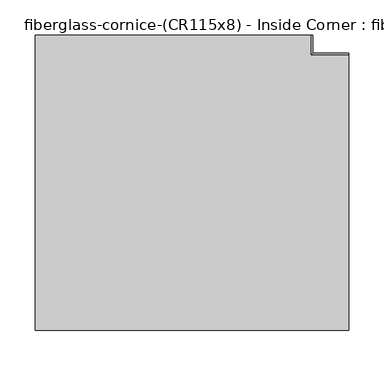
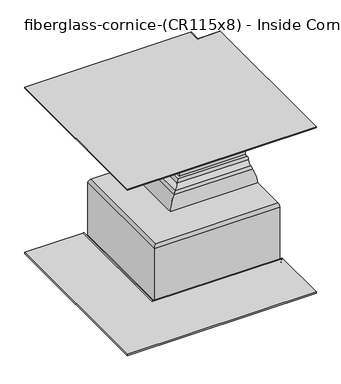
"""IFC4 building model written with IfcOpenShell, lengths in millimetres: furniture geometry, fiberglass-cornice-(CR115x8) - Inside Corner : fiberglass-cornice-(CR115x8) - Inside Corner."""

from ifc_helpers import new_model, si_unit, frame, origin, place, context, project, spatial, polyline, circle_curve, ellipse_curve, source, transform, mapped, element, save
from ifc_brep_helpers import plane_surface, cylinder_surface, revolved_surface, advanced_brep


def fiberglass_cornice_cr115x8_inside_corner_fiberglass_cornice_b0f1e72b(model_context):
    return source(origin(), model_context, "Body", "AdvancedBrep", [
        advanced_brep(
        [(235.0442108, 254.0000168, 133.3535912), (235.0442108, 254.0000168, 34.9351726), (235.0442108, 327.0743395, 34.9351726), (235.0442108, 330.2314169, 38.09225), (235.0442108, 330.2314169, 136.5250208), (235.0442108, 257.1750149, 136.5250208), (158.8128108, 254.0000168, 133.3535912), (158.8128108, 257.1750148, 136.5250039), (158.8128108, 330.2314169, 136.5250208), (158.8128108, 330.2314169, 38.09225), (158.8128108, 327.0743395, 34.9351726), (158.8128108, 254.0000168, 34.9351726)],
        [
            (0, 1),
            (1, 2),
            (2, 3, circle_curve(frame((235.0442108, 327.0743395, 38.09225), z_axis=(1.0, 0.0, 0.0), x_axis=(0.0, 1.0, 0.0)), 3.1570774)),
            (3, 4),
            (4, 5),
            (5, 0, circle_curve(frame((235.0442108, 257.1750148, 133.3500039), z_axis=(1.0, 0.0, 0.0), x_axis=(0.0, 1.0, 0.0)), 3.175)),
            (6, 7, circle_curve(frame((158.8128108, 257.1750148, 133.3500039), z_axis=(-1.0, 0.0, 0.0), x_axis=(0.0, 1.0, 0.0)), 3.175)),
            (7, 8),
            (8, 9),
            (9, 10, circle_curve(frame((158.8128108, 327.0743395, 38.09225), z_axis=(-1.0, 0.0, 0.0), x_axis=(0.0, 1.0, 0.0)), 3.1570774)),
            (10, 11),
            (11, 6),
            (5, 7),
            (6, 0),
            (4, 8),
            (3, 9),
            (2, 10),
            (1, 11),
        ],
        [
            plane_surface(frame((235.0442108, 260.3500148, 133.3500039), z_axis=(1.0, 0.0, 0.0), x_axis=(0.0, 0.0, -1.0))),
            plane_surface(frame((158.8128108, 260.3500148, 133.3500039), z_axis=(-1.0, 0.0, 0.0), x_axis=(0.0, 0.0, 1.0))),
            cylinder_surface(frame((158.8128108, 257.1750148, 133.3500039), z_axis=(1.0, 0.0, 0.0), x_axis=(0.0, 1.0, 0.0)), 3.175),
            plane_surface(frame((235.0442108, 257.1750149, 136.5250208), z_axis=(0.0, 0.0, 1.0), x_axis=(-1.0, 0.0, 0.0))),
            plane_surface(frame((235.0442108, 330.2314169, 136.5250208), z_axis=(0.0, 1.0, 0.0), x_axis=(-1.0, 0.0, 0.0))),
            cylinder_surface(frame((158.8128108, 327.0743395, 38.09225), z_axis=(1.0, 0.0, 0.0), x_axis=(0.0, 1.0, 0.0)), 3.1570774),
            plane_surface(frame((235.0442108, 327.0743395, 34.9351726), z_axis=(0.0, 0.0, -1.0), x_axis=(-1.0, 0.0, 0.0))),
            plane_surface(frame((235.0442108, 254.0000168, 34.9351726), z_axis=(0.0, -1.0, 0.0), x_axis=(-1.0, 0.0, 0.0))),
        ],
        [
            (0, [[1, 2, 3, 4, 5, 6]]),
            (1, [[7, 8, 9, 10, 11, 12]]),
            (2, [[13, -7, 14, -6]]),
            (3, [[15, -8, -13, -5]]),
            (4, [[16, -9, -15, -4]]),
            (5, [[17, -10, -16, -3]]),
            (6, [[18, -11, -17, -2]]),
            (7, [[-14, -12, -18, -1]]),
        ],
    ),
        advanced_brep(
        [(133.4128108, 254.0000168, 133.3535912), (133.4128108, 254.0000168, 34.9351726), (133.4128108, 327.0743395, 34.9351726), (133.4128108, 330.2314169, 38.09225), (133.4128108, 330.2314169, 136.5250208), (133.4128108, 257.1750149, 136.5250208), (57.1814107, 254.0000168, 133.3535912), (57.1814107, 257.1750148, 136.5250039), (57.1814107, 330.2314169, 136.5250208), (57.1814107, 330.2314169, 38.09225), (57.1814107, 327.0743395, 34.9351726), (57.1814107, 254.0000168, 34.9351726)],
        [
            (0, 1),
            (1, 2),
            (2, 3, circle_curve(frame((133.4128108, 327.0743395, 38.09225), z_axis=(1.0, 0.0, 0.0), x_axis=(0.0, 1.0, 0.0)), 3.1570774)),
            (3, 4),
            (4, 5),
            (5, 0, circle_curve(frame((133.4128108, 257.1750148, 133.3500039), z_axis=(1.0, 0.0, 0.0), x_axis=(0.0, 1.0, 0.0)), 3.175)),
            (6, 7, circle_curve(frame((57.1814107, 257.1750148, 133.3500039), z_axis=(-1.0, 0.0, 0.0), x_axis=(0.0, 1.0, 0.0)), 3.175)),
            (7, 8),
            (8, 9),
            (9, 10, circle_curve(frame((57.1814107, 327.0743395, 38.09225), z_axis=(-1.0, 0.0, 0.0), x_axis=(0.0, 1.0, 0.0)), 3.1570774)),
            (10, 11),
            (11, 6),
            (5, 7),
            (6, 0),
            (4, 8),
            (3, 9),
            (2, 10),
            (1, 11),
        ],
        [
            plane_surface(frame((133.4128108, 260.3500148, 133.3500039), z_axis=(1.0, 0.0, 0.0), x_axis=(0.0, 0.0, -1.0))),
            plane_surface(frame((57.1814107, 260.3500148, 133.3500039), z_axis=(-1.0, 0.0, 0.0), x_axis=(0.0, 0.0, 1.0))),
            cylinder_surface(frame((57.1814107, 257.1750148, 133.3500039), z_axis=(1.0, 0.0, 0.0), x_axis=(0.0, 1.0, 0.0)), 3.175),
            plane_surface(frame((133.4128108, 257.1750149, 136.5250208), z_axis=(0.0, 0.0, 1.0), x_axis=(-1.0, 0.0, 0.0))),
            plane_surface(frame((133.4128108, 330.2314169, 136.5250208), z_axis=(0.0, 1.0, 0.0), x_axis=(-1.0, 0.0, 0.0))),
            cylinder_surface(frame((57.1814107, 327.0743395, 38.09225), z_axis=(1.0, 0.0, 0.0), x_axis=(0.0, 1.0, 0.0)), 3.1570774),
            plane_surface(frame((133.4128108, 327.0743395, 34.9351726), z_axis=(0.0, 0.0, -1.0), x_axis=(-1.0, 0.0, 0.0))),
            plane_surface(frame((133.4128108, 254.0000168, 34.9351726), z_axis=(0.0, -1.0, 0.0), x_axis=(-1.0, 0.0, 0.0))),
        ],
        [
            (0, [[1, 2, 3, 4, 5, 6]]),
            (1, [[7, 8, 9, 10, 11, 12]]),
            (2, [[13, -7, 14, -6]]),
            (3, [[15, -8, -13, -5]]),
            (4, [[16, -9, -15, -4]]),
            (5, [[17, -10, -16, -3]]),
            (6, [[18, -11, -17, -2]]),
            (7, [[-14, -12, -18, -1]]),
        ],
    ),
        advanced_brep(
        [(-44.4499894, 508.094217, 133.3535912), (-41.2749914, 508.094217, 136.5250039), (31.7814107, 508.094217, 136.5250208), (31.7814107, 508.094217, 38.09225), (28.6243333, 508.094217, 34.9351726), (-44.4499894, 508.094217, 34.9351726), (-44.4499894, 431.8628169, 133.3535912), (-44.4499894, 431.8628169, 34.9351726), (28.6243333, 431.8628169, 34.9351726), (31.7814107, 431.8628169, 38.09225), (31.7814107, 431.8628169, 136.5250208), (-41.2749913, 431.8628169, 136.5250208)],
        [
            (0, 1, circle_curve(frame((-41.2749914, 508.094217, 133.3500039), z_axis=(0.0, 1.0, 0.0), x_axis=(1.0, 0.0, 0.0)), 3.175)),
            (1, 2),
            (2, 3),
            (3, 4, circle_curve(frame((28.6243333, 508.094217, 38.09225), z_axis=(0.0, 1.0, 0.0), x_axis=(1.0, 0.0, 0.0)), 3.1570774)),
            (4, 5),
            (5, 0),
            (6, 7),
            (7, 8),
            (8, 9, circle_curve(frame((28.6243333, 431.8628169, 38.09225), z_axis=(0.0, -1.0, 0.0), x_axis=(1.0, 0.0, 0.0)), 3.1570774)),
            (9, 10),
            (10, 11),
            (11, 6, circle_curve(frame((-41.2749914, 431.8628169, 133.3500039), z_axis=(0.0, -1.0, 0.0), x_axis=(1.0, 0.0, 0.0)), 3.175)),
            (0, 6),
            (11, 1),
            (10, 2),
            (9, 3),
            (8, 4),
            (7, 5),
        ],
        [
            plane_surface(frame((-38.0999914, 508.094217, 133.3500039), z_axis=(0.0, 1.0, 0.0), x_axis=(0.0, 0.0, -1.0))),
            plane_surface(frame((-38.0999914, 431.8628169, 133.3500039), z_axis=(0.0, -1.0, 0.0), x_axis=(0.0, 0.0, 1.0))),
            cylinder_surface(frame((-41.2749914, 431.8628169, 133.3500039), z_axis=(0.0, 1.0, 0.0), x_axis=(1.0, 0.0, 0.0)), 3.175),
            plane_surface(frame((-41.2749913, 508.094217, 136.5250208), z_axis=(0.0, 0.0, 1.0), x_axis=(0.0, -1.0, 0.0))),
            plane_surface(frame((31.7814107, 508.094217, 136.5250208), z_axis=(1.0, 0.0, 0.0), x_axis=(0.0, -1.0, 0.0))),
            cylinder_surface(frame((28.6243333, 431.8628169, 38.09225), z_axis=(0.0, 1.0, 0.0), x_axis=(1.0, 0.0, 0.0)), 3.1570774),
            plane_surface(frame((28.6243333, 508.094217, 34.9351726), z_axis=(0.0, 0.0, -1.0), x_axis=(0.0, -1.0, 0.0))),
            plane_surface(frame((-44.4499894, 508.094217, 34.9351726), z_axis=(-1.0, 0.0, 0.0), x_axis=(0.0, -1.0, 0.0))),
        ],
        [
            (0, [[1, 2, 3, 4, 5, 6]]),
            (1, [[7, 8, 9, 10, 11, 12]]),
            (2, [[-1, 13, -12, 14]]),
            (3, [[-2, -14, -11, 15]]),
            (4, [[-3, -15, -10, 16]]),
            (5, [[-4, -16, -9, 17]]),
            (6, [[-5, -17, -8, 18]]),
            (7, [[-6, -18, -7, -13]]),
        ],
    ),
        advanced_brep(
        [(-44.4499894, 330.2314169, 133.3535912), (-41.2749914, 330.2314169, 136.5250039), (31.7814107, 330.2314169, 136.5250208), (31.7814107, 330.2314169, 38.09225), (28.6243333, 330.2314169, 34.9351726), (-44.4499894, 330.2314169, 34.9351726), (-44.4499894, 254.0000168, 133.3535912), (-44.4499894, 254.0000168, 34.9351726), (28.6243333, 254.0000168, 34.9351726), (31.7814107, 254.0000168, 38.09225), (31.7814107, 254.0000168, 136.5250208), (-41.2749913, 254.0000168, 136.5250208)],
        [
            (0, 1, circle_curve(frame((-41.2749914, 330.2314169, 133.3500039), z_axis=(0.0, 1.0, 0.0), x_axis=(1.0, 0.0, 0.0)), 3.175)),
            (1, 2),
            (2, 3),
            (3, 4, circle_curve(frame((28.6243333, 330.2314169, 38.09225), z_axis=(0.0, 1.0, 0.0), x_axis=(1.0, 0.0, 0.0)), 3.1570774)),
            (4, 5),
            (5, 0),
            (6, 7),
            (7, 8),
            (8, 9, circle_curve(frame((28.6243333, 254.0000168, 38.09225), z_axis=(0.0, -1.0, 0.0), x_axis=(1.0, 0.0, 0.0)), 3.1570774)),
            (9, 10),
            (10, 11),
            (11, 6, circle_curve(frame((-41.2749914, 254.0000168, 133.3500039), z_axis=(0.0, -1.0, 0.0), x_axis=(1.0, 0.0, 0.0)), 3.175)),
            (0, 6),
            (11, 1),
            (10, 2),
            (9, 3),
            (8, 4),
            (7, 5),
        ],
        [
            plane_surface(frame((-38.0999914, 330.2314169, 133.3500039), z_axis=(0.0, 1.0, 0.0), x_axis=(0.0, 0.0, -1.0))),
            plane_surface(frame((-38.0999914, 254.0000168, 133.3500039), z_axis=(0.0, -1.0, 0.0), x_axis=(0.0, 0.0, 1.0))),
            cylinder_surface(frame((-41.2749914, 254.0000168, 133.3500039), z_axis=(0.0, 1.0, 0.0), x_axis=(1.0, 0.0, 0.0)), 3.175),
            plane_surface(frame((-41.2749913, 330.2314169, 136.5250208), z_axis=(0.0, 0.0, 1.0), x_axis=(0.0, -1.0, 0.0))),
            plane_surface(frame((31.7814107, 330.2314169, 136.5250208), z_axis=(1.0, 0.0, 0.0), x_axis=(0.0, -1.0, 0.0))),
            cylinder_surface(frame((28.6243333, 254.0000168, 38.09225), z_axis=(0.0, 1.0, 0.0), x_axis=(1.0, 0.0, 0.0)), 3.1570774),
            plane_surface(frame((28.6243333, 330.2314169, 34.9351726), z_axis=(0.0, 0.0, -1.0), x_axis=(0.0, -1.0, 0.0))),
            plane_surface(frame((-44.4499894, 330.2314169, 34.9351726), z_axis=(-1.0, 0.0, 0.0), x_axis=(0.0, -1.0, 0.0))),
        ],
        [
            (0, [[1, 2, 3, 4, 5, 6]]),
            (1, [[7, 8, 9, 10, 11, 12]]),
            (2, [[-1, 13, -12, 14]]),
            (3, [[-2, -14, -11, 15]]),
            (4, [[-3, -15, -10, 16]]),
            (5, [[-4, -16, -9, 17]]),
            (6, [[-5, -17, -8, 18]]),
            (7, [[-6, -18, -7, -13]]),
        ],
    ),
        advanced_brep(
        [(-44.4499894, 406.4628169, 133.3535912), (-41.2749914, 406.4628169, 136.5250039), (31.7814107, 406.4628169, 136.5250208), (31.7814107, 406.4628169, 38.09225), (28.6243333, 406.4628169, 34.9351726), (-44.4499894, 406.4628169, 34.9351726), (-44.4499894, 330.2314169, 133.3535912), (-44.4499894, 330.2314169, 34.9351726), (28.6243333, 330.2314169, 34.9351726), (31.7814107, 330.2314169, 38.09225), (31.7814107, 330.2314169, 136.5250208), (-41.2749913, 330.2314169, 136.5250208)],
        [
            (0, 1, circle_curve(frame((-41.2749914, 406.4628169, 133.3500039), z_axis=(0.0, 1.0, 0.0), x_axis=(1.0, 0.0, 0.0)), 3.175)),
            (1, 2),
            (2, 3),
            (3, 4, circle_curve(frame((28.6243333, 406.4628169, 38.09225), z_axis=(0.0, 1.0, 0.0), x_axis=(1.0, 0.0, 0.0)), 3.1570774)),
            (4, 5),
            (5, 0),
            (6, 7),
            (7, 8),
            (8, 9, circle_curve(frame((28.6243333, 330.2314169, 38.09225), z_axis=(0.0, -1.0, 0.0), x_axis=(1.0, 0.0, 0.0)), 3.1570774)),
            (9, 10),
            (10, 11),
            (11, 6, circle_curve(frame((-41.2749914, 330.2314169, 133.3500039), z_axis=(0.0, -1.0, 0.0), x_axis=(1.0, 0.0, 0.0)), 3.175)),
            (0, 6),
            (11, 1),
            (10, 2),
            (9, 3),
            (8, 4),
            (7, 5),
        ],
        [
            plane_surface(frame((-38.0999914, 406.4628169, 133.3500039), z_axis=(0.0, 1.0, 0.0), x_axis=(0.0, 0.0, -1.0))),
            plane_surface(frame((-38.0999914, 330.2314169, 133.3500039), z_axis=(0.0, -1.0, 0.0), x_axis=(0.0, 0.0, 1.0))),
            cylinder_surface(frame((-41.2749914, 330.2314169, 133.3500039), z_axis=(0.0, 1.0, 0.0), x_axis=(1.0, 0.0, 0.0)), 3.175),
            plane_surface(frame((-41.2749913, 406.4628169, 136.5250208), z_axis=(0.0, 0.0, 1.0), x_axis=(0.0, -1.0, 0.0))),
            plane_surface(frame((31.7814107, 406.4628169, 136.5250208), z_axis=(1.0, 0.0, 0.0), x_axis=(0.0, -1.0, 0.0))),
            cylinder_surface(frame((28.6243333, 330.2314169, 38.09225), z_axis=(0.0, 1.0, 0.0), x_axis=(1.0, 0.0, 0.0)), 3.1570774),
            plane_surface(frame((28.6243333, 406.4628169, 34.9351726), z_axis=(0.0, 0.0, -1.0), x_axis=(0.0, -1.0, 0.0))),
            plane_surface(frame((-44.4499894, 406.4628169, 34.9351726), z_axis=(-1.0, 0.0, 0.0), x_axis=(0.0, -1.0, 0.0))),
        ],
        [
            (0, [[1, 2, 3, 4, 5, 6]]),
            (1, [[7, 8, 9, 10, 11, 12]]),
            (2, [[-1, 13, -12, 14]]),
            (3, [[-2, -14, -11, 15]]),
            (4, [[-3, -15, -10, 16]]),
            (5, [[-4, -16, -9, 17]]),
            (6, [[-5, -17, -8, 18]]),
            (7, [[-6, -18, -7, -13]]),
        ],
    ),
        advanced_brep(
        [(-196.8500062, 520.7, 423.8624861), (193.6844252, 520.7, 423.8624861), (196.8500049, 520.7, 420.6847078), (196.8500049, 520.7, 388.0554961), (194.7224848, 520.7, 385.0610541), (152.4000062, 520.7, 325.4375001), (110.0775275, 520.7, 265.8139461), (107.9500062, 520.7, 262.8167118), (107.950006, 520.7, 255.5875001), (104.7750062, 520.7, 252.4125001), (98.420604, 520.7, 252.4124971), (95.2500062, 520.7, 249.2375001), (95.2500062, 520.7, 179.3875001), (92.0703208, 520.7, 176.2125036), (85.3530302, 520.7, 176.2125036), (82.2451492, 520.7, 173.6868832), (69.4754819, 520.7, 161.9912934), (66.7661941, 520.7, 159.5939258), (63.8768285, 520.7, 157.1803512), (44.6338988, 520.7, 139.2776723), (41.4820393, 520.7, 136.5250042), (-41.274999, 520.7, 136.5250042), (-44.4499894, 520.7, 133.3446651), (-44.4499894, 520.7, 3.1750002), (-47.6249938, 520.7, 1e-07), (-53.9749938, 520.7, 0.0), (-57.1499938, 520.7, 3.1750001), (-57.1499957, 520.7, 6.3465418), (-60.3249938, 520.7, 9.5250001), (-196.8500062, 520.7, 9.5250001), (-196.8500062, 520.7, 12.7000001), (-60.3249938, 520.7, 12.7000001), (-53.9749957, 520.7, 6.3451093), (-53.9749957, 520.7, 3.175), (-47.6249894, 520.7, 3.175), (-47.6249894, 520.7, 133.3424553), (-41.2750041, 520.7, 139.7000001), (41.487113, 520.7, 139.7000042), (63.682382, 520.7, 160.3493914), (69.1009576, 520.7, 165.1441265), (79.1372679, 520.7, 174.3362663), (85.3530298, 520.7, 179.3875001), (92.0750062, 520.7, 179.3875036), (92.0750062, 520.7, 249.2375001), (98.4187806, 520.7, 255.5874971), (104.775006, 520.7, 255.5874971), (104.775006, 520.7, 262.8167118), (109.0300489, 520.7, 268.8111805), (149.2250062, 520.7, 325.4375001), (193.6750049, 520.7, 388.058288), (193.6750049, 520.7, 420.6874861), (-196.8500062, 520.7, 420.6874861), (247.6499938, 101.6, 423.8624861), (247.6499938, 101.6, 420.6874861), (247.6499938, 492.1250111, 420.6874861), (247.6499938, 492.1250111, 388.058288), (247.6499938, 447.6750123, 325.4375001), (247.6499938, 407.480055, 268.8111805), (247.6499938, 403.2250123, 262.8167118), (247.6499938, 403.2250121, 255.5874971), (247.6499938, 396.8687868, 255.5874971), (247.6499938, 390.5250123, 249.2375001), (247.6499938, 390.5250123, 179.3875036), (247.6499938, 383.8030364, 179.3875036), (247.6499938, 377.587274, 174.3362663), (247.6499938, 367.5509638, 165.1441265), (247.6499938, 362.1323882, 160.3493914), (247.6499938, 339.9371192, 139.7000042), (247.6499938, 257.1750072, 139.7000042), (247.6499938, 250.8250168, 133.3424553), (247.6499938, 250.8250168, 3.175), (247.6499938, 244.4750104, 3.175), (247.6499938, 244.4750104, 6.3451093), (247.6499938, 238.1250123, 12.7000001), (247.6499938, 101.6, 12.7000001), (247.6499938, 101.6, 9.5250001), (247.6499938, 238.1250123, 9.5250001), (247.6499938, 241.3000104, 6.3465418), (247.6499938, 241.3000104, 3.1750002), (247.6499938, 244.4750123, 1e-07), (247.6499938, 250.8250123, 0.0), (247.6499938, 254.0000123, 3.1750001), (247.6499938, 254.0000168, 133.3446651), (247.6499938, 257.1750072, 136.5250001), (247.6499938, 339.9320454, 136.5250042), (247.6499938, 343.0839049, 139.2776723), (247.6499938, 362.3268346, 157.1803512), (247.6499938, 365.2162002, 159.5939258), (247.6499938, 367.925488, 161.9912934), (247.6499938, 380.6951554, 173.6868832), (247.6499938, 383.8030364, 176.2125001), (247.6499938, 390.520327, 176.2125036), (247.6499938, 393.7000123, 179.3875001), (247.6499938, 393.7000123, 249.2375001), (247.6499938, 396.8706102, 252.4124971), (247.6499938, 403.2250123, 252.4124971), (247.6499938, 406.4000123, 255.5875001), (247.6499938, 406.4000121, 262.8167118), (247.6499938, 408.5275337, 265.8139461), (247.6499938, 450.8500123, 325.4375001), (247.6499938, 493.1724909, 385.0610541), (247.6499938, 495.3000111, 388.0554961), (247.6499938, 495.3000111, 420.6847078), (247.6499938, 492.1344313, 423.8624861), (-196.8500062, 101.6, 423.8624861), (193.6844252, 492.1344313, 423.8624861), (196.8500049, 495.3000111, 420.6847078), (196.8500049, 495.3000111, 388.0554961), (194.7224848, 493.1724909, 385.0610541), (152.4000062, 450.8500123, 325.4375001), (110.0775275, 408.5275337, 265.8139461), (107.9500062, 406.4000123, 262.8167118), (107.950006, 406.4000121, 255.5875001), (104.7750062, 403.2250123, 252.4125001), (98.420604, 396.8706102, 252.4124971), (95.2500062, 393.7000123, 249.2375001), (95.2500062, 393.7000123, 179.3875001), (92.0703208, 390.520327, 176.2125036), (85.3530302, 383.8030364, 176.2125036), (82.2451492, 380.6951554, 173.6868832), (69.4754819, 367.925488, 161.9912934), (66.7661941, 365.2162002, 159.5939258), (63.8768285, 362.3268346, 157.1803512), (44.6338988, 343.0839049, 139.2776723), (41.4820393, 339.9320454, 136.5250042), (-41.274999, 257.1750072, 136.5250042), (-44.4499894, 254.0000168, 133.3446651), (-44.4499894, 254.0000168, 3.1750002), (-47.6249938, 250.8250123, 1e-07), (-53.9749938, 244.4750123, 0.0), (-57.1499938, 241.3000123, 3.1750001), (-57.1499957, 241.3000104, 6.3465418), (-60.3249938, 238.1250123, 9.5250001), (-196.8500062, 101.6, 9.5250001), (-196.8500062, 101.6, 12.7000001), (-60.3249938, 238.1250123, 12.7000001), (-53.9749957, 244.4750104, 6.3451093), (-53.9749957, 244.4750104, 3.175), (-47.6249894, 250.8250168, 3.175), (-47.6249894, 250.8250168, 133.3424553), (-41.2750041, 257.1750021, 139.7000001), (41.487113, 339.9371192, 139.7000042), (63.682382, 362.1323882, 160.3493914), (69.1009576, 367.5509638, 165.1441265), (79.1372679, 377.587274, 174.3362663), (85.3530298, 383.803036, 179.3875001), (92.0750062, 390.5250123, 179.3875036), (92.0750062, 390.5250123, 249.2375001), (98.4187806, 396.8687868, 255.5874971), (104.775006, 403.2250121, 255.5874971), (104.775006, 403.2250121, 262.8167118), (109.0300489, 407.480055, 268.8111805), (149.2250062, 447.6750123, 325.4375001), (193.6750049, 492.1250111, 388.058288), (193.6750049, 492.1250111, 420.6874861), (-196.8500062, 101.6, 420.6874861)],
        [
            (0, 1),
            (1, 2, circle_curve(frame((193.6750062, 520.7, 420.6875001), z_axis=(0.0, 1.0, 0.0), x_axis=(-1.0, 0.0, 0.0)), 3.175)),
            (2, 3),
            (3, 4, circle_curve(frame((193.6750062, 520.7, 388.0582884), z_axis=(0.0, 1.0, 0.0), x_axis=(-1.0, 0.0, 0.0)), 3.175)),
            (4, 5, circle_curve(frame((215.5598276, 520.7, 325.4375001), z_axis=(0.0, -1.0, 0.0), x_axis=(-1.0, 0.0, 0.0)), 63.1598214)),
            (5, 6, circle_curve(frame((89.2401847, 520.7, 325.4375001), z_axis=(0.0, 1.0, 0.0), x_axis=(-1.0, 0.0, 0.0)), 63.1598214)),
            (6, 7, circle_curve(frame((111.1250062, 520.7, 262.8167118), z_axis=(0.0, -1.0, 0.0), x_axis=(-1.0, 0.0, 0.0)), 3.175)),
            (7, 8),
            (8, 9, circle_curve(frame((104.7750062, 520.7, 255.5875001), z_axis=(0.0, 1.0, 0.0), x_axis=(-1.0, 0.0, 0.0)), 3.175)),
            (9, 10),
            (10, 11, circle_curve(frame((98.4250062, 520.7, 249.2375001), z_axis=(0.0, -1.0, 0.0), x_axis=(-1.0, 0.0, 0.0)), 3.175)),
            (11, 12),
            (12, 13, circle_curve(frame((92.0750062, 520.7, 179.3875001), z_axis=(0.0, 1.0, 0.0), x_axis=(-1.0, 0.0, 0.0)), 3.175)),
            (13, 14),
            (14, 15, circle_curve(frame((85.3530306, 520.7, 173.0375001), z_axis=(0.0, -1.0, 0.0), x_axis=(-1.0, 0.0, 0.0)), 3.175)),
            (15, 16, circle_curve(frame((67.7257836, 520.7, 176.7206641), z_axis=(0.0, 1.0, 0.0), x_axis=(-1.0, 0.0, 0.0)), 14.8329297)),
            (16, 17, circle_curve(frame((69.8500062, 520.7, 158.8384603), z_axis=(0.0, -1.0, 0.0), x_axis=(-1.0, 0.0, 0.0)), 3.175)),
            (17, 18, circle_curve(frame((63.682382, 520.7, 160.3493914), z_axis=(0.0, 1.0, 0.0), x_axis=(-1.0, 0.0, 0.0)), 3.175)),
            (18, 19, circle_curve(frame((65.1442026, 520.7, 136.5250001), z_axis=(0.0, -1.0, 0.0), x_axis=(-1.0, 0.0, 0.0)), 20.6941964)),
            (19, 20, circle_curve(frame((41.4871125, 520.7, 139.7000001), z_axis=(0.0, 1.0, 0.0), x_axis=(-1.0, 0.0, 0.0)), 3.175)),
            (20, 21),
            (21, 22, circle_curve(frame((-41.2749938, 520.7, 133.3500001), z_axis=(0.0, -1.0, 0.0), x_axis=(-1.0, 0.0, 0.0)), 3.175)),
            (22, 23),
            (23, 24, circle_curve(frame((-47.6249938, 520.7, 3.1750001), z_axis=(0.0, 1.0, 0.0), x_axis=(-1.0, 0.0, 0.0)), 3.175)),
            (24, 25),
            (25, 26, circle_curve(frame((-53.9749938, 520.7, 3.1750001), z_axis=(0.0, 1.0, 0.0), x_axis=(-1.0, 0.0, 0.0)), 3.175)),
            (26, 27),
            (27, 28, circle_curve(frame((-60.3249938, 520.7, 6.3500001), z_axis=(0.0, -1.0, 0.0), x_axis=(-1.0, 0.0, 0.0)), 3.175)),
            (28, 29),
            (29, 30),
            (30, 31),
            (31, 32, circle_curve(frame((-60.3249938, 520.7, 6.3500001), z_axis=(0.0, 1.0, 0.0), x_axis=(-1.0, 0.0, 0.0)), 6.35)),
            (32, 33),
            (33, 34),
            (34, 35),
            (35, 36, circle_curve(frame((-41.2749938, 520.7, 133.3500001), z_axis=(0.0, 1.0, 0.0), x_axis=(-1.0, 0.0, 0.0)), 6.35)),
            (36, 37),
            (37, 38, circle_curve(frame((65.1442026, 520.7, 136.5250001), z_axis=(0.0, 1.0, 0.0), x_axis=(-1.0, 0.0, 0.0)), 23.8691964)),
            (38, 39, circle_curve(frame((69.8500062, 520.7, 158.8384603), z_axis=(0.0, 1.0, 0.0), x_axis=(-1.0, 0.0, 0.0)), 6.35)),
            (39, 40, circle_curve(frame((67.7257836, 520.7, 176.7206641), z_axis=(0.0, -1.0, 0.0), x_axis=(-1.0, 0.0, 0.0)), 11.6579297)),
            (40, 41, circle_curve(frame((85.3530306, 520.7, 173.0375001), z_axis=(0.0, 1.0, 0.0), x_axis=(-1.0, 0.0, 0.0)), 6.35)),
            (41, 42),
            (42, 43),
            (43, 44, circle_curve(frame((98.4250062, 520.7, 249.2375001), z_axis=(0.0, 1.0, 0.0), x_axis=(-1.0, 0.0, 0.0)), 6.35)),
            (44, 45),
            (45, 46),
            (46, 47, circle_curve(frame((111.1250062, 520.7, 262.8167118), z_axis=(0.0, 1.0, 0.0), x_axis=(-1.0, 0.0, 0.0)), 6.35)),
            (47, 48, circle_curve(frame((89.2401847, 520.7, 325.4375001), z_axis=(0.0, -1.0, 0.0), x_axis=(-1.0, 0.0, 0.0)), 59.9848214)),
            (48, 49, circle_curve(frame((215.5598276, 520.7, 325.4375001), z_axis=(0.0, 1.0, 0.0), x_axis=(-1.0, 0.0, 0.0)), 66.3348214)),
            (49, 50),
            (50, 51),
            (51, 0),
            (52, 53),
            (53, 54),
            (54, 55),
            (55, 56, circle_curve(frame((247.6499938, 514.0098337, 325.4375001), z_axis=(1.0, 0.0, 0.0), x_axis=(0.0, -1.0, 0.0)), 66.3348214)),
            (56, 57, circle_curve(frame((247.6499938, 387.6901909, 325.4375001), z_axis=(-1.0, 0.0, 0.0), x_axis=(0.0, -1.0, 0.0)), 59.9848214)),
            (57, 58, circle_curve(frame((247.6499938, 409.5750123, 262.8167118), z_axis=(1.0, 0.0, 0.0), x_axis=(0.0, -1.0, 0.0)), 6.35)),
            (58, 59),
            (59, 60),
            (60, 61, circle_curve(frame((247.6499938, 396.8750123, 249.2375001), z_axis=(1.0, 0.0, 0.0), x_axis=(0.0, -1.0, 0.0)), 6.35)),
            (61, 62),
            (62, 63),
            (63, 64, circle_curve(frame((247.6499938, 383.8030368, 173.0375001), z_axis=(1.0, 0.0, 0.0), x_axis=(0.0, -1.0, 0.0)), 6.35)),
            (64, 65, circle_curve(frame((247.6499938, 366.1757898, 176.7206641), z_axis=(-1.0, 0.0, 0.0), x_axis=(0.0, -1.0, 0.0)), 11.6579297)),
            (65, 66, circle_curve(frame((247.6499938, 368.3000123, 158.8384603), z_axis=(1.0, 0.0, 0.0), x_axis=(0.0, -1.0, 0.0)), 6.35)),
            (66, 67, circle_curve(frame((247.6499938, 363.5942087, 136.5250001), z_axis=(1.0, 0.0, 0.0), x_axis=(0.0, -1.0, 0.0)), 23.8691964)),
            (67, 68),
            (68, 69, circle_curve(frame((247.6499938, 257.1750123, 133.3500001), z_axis=(1.0, 0.0, 0.0), x_axis=(0.0, -1.0, 0.0)), 6.35)),
            (69, 70),
            (70, 71),
            (71, 72),
            (72, 73, circle_curve(frame((247.6499938, 238.1250123, 6.3500001), z_axis=(1.0, 0.0, 0.0), x_axis=(0.0, -1.0, 0.0)), 6.35)),
            (73, 74),
            (74, 75),
            (75, 76),
            (76, 77, circle_curve(frame((247.6499938, 238.1250123, 6.3500001), z_axis=(-1.0, 0.0, 0.0), x_axis=(0.0, -1.0, 0.0)), 3.175)),
            (77, 78),
            (78, 79, circle_curve(frame((247.6499938, 244.4750123, 3.1750001), z_axis=(1.0, 0.0, 0.0), x_axis=(0.0, -1.0, 0.0)), 3.175)),
            (79, 80),
            (80, 81, circle_curve(frame((247.6499938, 250.8250123, 3.1750001), z_axis=(1.0, 0.0, 0.0), x_axis=(0.0, -1.0, 0.0)), 3.175)),
            (81, 82),
            (82, 83, circle_curve(frame((247.6499938, 257.1750123, 133.3500001), z_axis=(-1.0, 0.0, 0.0), x_axis=(0.0, -1.0, 0.0)), 3.175)),
            (83, 84),
            (84, 85, circle_curve(frame((247.6499938, 339.9371186, 139.7000001), z_axis=(1.0, 0.0, 0.0), x_axis=(0.0, -1.0, 0.0)), 3.175)),
            (85, 86, circle_curve(frame((247.6499938, 363.5942087, 136.5250001), z_axis=(-1.0, 0.0, 0.0), x_axis=(0.0, -1.0, 0.0)), 20.6941964)),
            (86, 87, circle_curve(frame((247.6499938, 362.1323882, 160.3493914), z_axis=(1.0, 0.0, 0.0), x_axis=(0.0, -1.0, 0.0)), 3.175)),
            (87, 88, circle_curve(frame((247.6499938, 368.3000123, 158.8384603), z_axis=(-1.0, 0.0, 0.0), x_axis=(0.0, -1.0, 0.0)), 3.175)),
            (88, 89, circle_curve(frame((247.6499938, 366.1757898, 176.7206641), z_axis=(1.0, 0.0, 0.0), x_axis=(0.0, -1.0, 0.0)), 14.8329297)),
            (89, 90, circle_curve(frame((247.6499938, 383.8030368, 173.0375001), z_axis=(-1.0, 0.0, 0.0), x_axis=(0.0, -1.0, 0.0)), 3.175)),
            (90, 91),
            (91, 92, circle_curve(frame((247.6499938, 390.5250123, 179.3875001), z_axis=(1.0, 0.0, 0.0), x_axis=(0.0, -1.0, 0.0)), 3.175)),
            (92, 93),
            (93, 94, circle_curve(frame((247.6499938, 396.8750123, 249.2375001), z_axis=(-1.0, 0.0, 0.0), x_axis=(0.0, -1.0, 0.0)), 3.175)),
            (94, 95),
            (95, 96, circle_curve(frame((247.6499938, 403.2250123, 255.5875001), z_axis=(1.0, 0.0, 0.0), x_axis=(0.0, -1.0, 0.0)), 3.175)),
            (96, 97),
            (97, 98, circle_curve(frame((247.6499938, 409.5750123, 262.8167118), z_axis=(-1.0, 0.0, 0.0), x_axis=(0.0, -1.0, 0.0)), 3.175)),
            (98, 99, circle_curve(frame((247.6499938, 387.6901909, 325.4375001), z_axis=(1.0, 0.0, 0.0), x_axis=(0.0, -1.0, 0.0)), 63.1598214)),
            (99, 100, circle_curve(frame((247.6499938, 514.0098337, 325.4375001), z_axis=(-1.0, 0.0, 0.0), x_axis=(0.0, -1.0, 0.0)), 63.1598214)),
            (100, 101, circle_curve(frame((247.6499938, 492.1250123, 388.0582884), z_axis=(1.0, 0.0, 0.0), x_axis=(0.0, -1.0, 0.0)), 3.175)),
            (101, 102),
            (102, 103, circle_curve(frame((247.6499938, 492.1250123, 420.6875001), z_axis=(1.0, 0.0, 0.0), x_axis=(0.0, -1.0, 0.0)), 3.175)),
            (103, 52),
            (0, 104),
            (104, 52),
            (103, 105),
            (105, 1),
            (105, 106, ellipse_curve(frame((193.6750062, 492.1250123, 420.6875001), z_axis=(-0.7071067811865458, 0.7071067811865491, 0.0), x_axis=(0.7071067811865489, 0.707106781186546, 0.0)), 4.4901281, 3.175)),
            (106, 2),
            (106, 107),
            (107, 3),
            (107, 108, ellipse_curve(frame((193.6750062, 492.1250123, 388.0582884), z_axis=(-0.7071067811865458, 0.7071067811865491, 0.0), x_axis=(0.7071067811865489, 0.707106781186546, 0.0)), 4.4901281, 3.175)),
            (108, 4),
            (108, 109, ellipse_curve(frame((215.5598276, 514.0098337, 325.4375001), z_axis=(0.7071067811865458, -0.7071067811865491, 0.0), x_axis=(-0.7071067811865489, -0.707106781186546, 0.0)), 89.3214761, 63.1598214)),
            (109, 5),
            (109, 110, ellipse_curve(frame((89.2401847, 387.6901909, 325.4375001), z_axis=(-0.7071067811865458, 0.7071067811865491, 0.0), x_axis=(0.7071067811865489, 0.707106781186546, 0.0)), 89.3214761, 63.1598214)),
            (110, 6),
            (110, 111, ellipse_curve(frame((111.1250062, 409.5750123, 262.8167118), z_axis=(0.7071067811865458, -0.7071067811865491, 0.0), x_axis=(-0.7071067811865489, -0.707106781186546, 0.0)), 4.4901281, 3.175)),
            (111, 7),
            (111, 112),
            (112, 8),
            (112, 113, ellipse_curve(frame((104.7750062, 403.2250123, 255.5875001), z_axis=(-0.7071067811865458, 0.7071067811865491, 0.0), x_axis=(0.7071067811865489, 0.707106781186546, 0.0)), 4.4901281, 3.175)),
            (113, 9),
            (113, 95),
            (94, 114),
            (114, 10),
            (114, 115, ellipse_curve(frame((98.4250062, 396.8750123, 249.2375001), z_axis=(0.7071067811865458, -0.7071067811865491, 0.0), x_axis=(-0.7071067811865489, -0.707106781186546, 0.0)), 4.4901281, 3.175)),
            (115, 11),
            (115, 116),
            (116, 12),
            (116, 117, ellipse_curve(frame((92.0750062, 390.5250123, 179.3875001), z_axis=(-0.7071067811865458, 0.7071067811865491, 0.0), x_axis=(0.7071067811865489, 0.707106781186546, 0.0)), 4.4901281, 3.175)),
            (117, 13),
            (117, 91),
            (90, 118),
            (118, 14),
            (118, 119, ellipse_curve(frame((85.3530306, 383.8030368, 173.0375001), z_axis=(0.7071067811865458, -0.7071067811865491, 0.0), x_axis=(-0.7071067811865489, -0.707106781186546, 0.0)), 4.4901281, 3.175)),
            (119, 15),
            (119, 120, ellipse_curve(frame((67.7257836, 366.1757898, 176.7206641), z_axis=(-0.7071067811865458, 0.7071067811865491, 0.0), x_axis=(0.7071067811865489, 0.707106781186546, 0.0)), 20.9769304, 14.8329297)),
            (120, 16),
            (120, 121, ellipse_curve(frame((69.8500062, 368.3000123, 158.8384603), z_axis=(0.7071067811865458, -0.7071067811865491, 0.0), x_axis=(-0.7071067811865489, -0.707106781186546, 0.0)), 4.4901281, 3.175)),
            (121, 17),
            (121, 122, ellipse_curve(frame((63.682382, 362.1323882, 160.3493914), z_axis=(-0.7071067811865458, 0.7071067811865491, 0.0), x_axis=(0.7071067811865489, 0.707106781186546, 0.0)), 4.4901281, 3.175)),
            (122, 18),
            (122, 123, ellipse_curve(frame((65.1442026, 363.5942087, 136.5250001), z_axis=(0.7071067811865458, -0.7071067811865491, 0.0), x_axis=(-0.7071067811865489, -0.707106781186546, 0.0)), 29.2660133, 20.6941964)),
            (123, 19),
            (123, 124, ellipse_curve(frame((41.4871125, 339.9371186, 139.7000001), z_axis=(-0.7071067811865458, 0.7071067811865491, 0.0), x_axis=(0.7071067811865489, 0.707106781186546, 0.0)), 4.4901281, 3.175)),
            (124, 20),
            (124, 84),
            (83, 125),
            (125, 21),
            (125, 126, ellipse_curve(frame((-41.2749938, 257.1750123, 133.3500001), z_axis=(0.7071067811865458, -0.7071067811865491, 0.0), x_axis=(-0.7071067811865489, -0.707106781186546, 0.0)), 4.4901281, 3.175)),
            (126, 22),
            (126, 127),
            (127, 23),
            (127, 128, ellipse_curve(frame((-47.6249938, 250.8250123, 3.1750001), z_axis=(-0.7071067811865458, 0.7071067811865491, 0.0), x_axis=(0.7071067811865489, 0.707106781186546, 0.0)), 4.4901281, 3.175)),
            (128, 24),
            (128, 80),
            (79, 129),
            (129, 25),
            (129, 130, ellipse_curve(frame((-53.9749938, 244.4750123, 3.1750001), z_axis=(-0.7071067811865458, 0.7071067811865491, 0.0), x_axis=(0.7071067811865489, 0.707106781186546, 0.0)), 4.4901281, 3.175)),
            (130, 26),
            (130, 131),
            (131, 27),
            (131, 132, ellipse_curve(frame((-60.3249938, 238.1250123, 6.3500001), z_axis=(0.7071067811865458, -0.7071067811865491, 0.0), x_axis=(-0.7071067811865489, -0.707106781186546, 0.0)), 4.4901281, 3.175)),
            (132, 28),
            (132, 76),
            (75, 133),
            (133, 29),
            (133, 134),
            (134, 30),
            (134, 74),
            (73, 135),
            (135, 31),
            (135, 136, ellipse_curve(frame((-60.3249938, 238.1250123, 6.3500001), z_axis=(-0.7071067811865458, 0.7071067811865491, 0.0), x_axis=(0.7071067811865489, 0.707106781186546, 0.0)), 8.9802561, 6.35)),
            (136, 32),
            (136, 137),
            (137, 33),
            (137, 71),
            (70, 138),
            (138, 34),
            (138, 139),
            (139, 35),
            (139, 140, ellipse_curve(frame((-41.2749938, 257.1750123, 133.3500001), z_axis=(-0.7071067811865458, 0.7071067811865491, 0.0), x_axis=(0.7071067811865489, 0.707106781186546, 0.0)), 8.9802561, 6.35)),
            (140, 36),
            (140, 68),
            (67, 141),
            (141, 37),
            (141, 142, ellipse_curve(frame((65.1442026, 363.5942087, 136.5250001), z_axis=(-0.7071067811865458, 0.7071067811865491, 0.0), x_axis=(0.7071067811865489, 0.707106781186546, 0.0)), 33.7561413, 23.8691964)),
            (142, 38),
            (142, 143, ellipse_curve(frame((69.8500062, 368.3000123, 158.8384603), z_axis=(-0.7071067811865458, 0.7071067811865491, 0.0), x_axis=(0.7071067811865489, 0.707106781186546, 0.0)), 8.9802561, 6.35)),
            (143, 39),
            (143, 144, ellipse_curve(frame((67.7257836, 366.1757898, 176.7206641), z_axis=(0.7071067811865458, -0.7071067811865491, 0.0), x_axis=(-0.7071067811865489, -0.707106781186546, 0.0)), 16.4868024, 11.6579297)),
            (144, 40),
            (144, 145, ellipse_curve(frame((85.3530306, 383.8030368, 173.0375001), z_axis=(-0.7071067811865458, 0.7071067811865491, 0.0), x_axis=(0.7071067811865489, 0.707106781186546, 0.0)), 8.9802561, 6.35)),
            (145, 41),
            (145, 63),
            (62, 146),
            (146, 42),
            (146, 147),
            (147, 43),
            (147, 148, ellipse_curve(frame((98.4250062, 396.8750123, 249.2375001), z_axis=(-0.7071067811865458, 0.7071067811865491, 0.0), x_axis=(0.7071067811865489, 0.707106781186546, 0.0)), 8.9802561, 6.35)),
            (148, 44),
            (148, 60),
            (59, 149),
            (149, 45),
            (149, 150),
            (150, 46),
            (150, 151, ellipse_curve(frame((111.1250062, 409.5750123, 262.8167118), z_axis=(-0.7071067811865458, 0.7071067811865491, 0.0), x_axis=(0.7071067811865489, 0.707106781186546, 0.0)), 8.9802561, 6.35)),
            (151, 47),
            (151, 152, ellipse_curve(frame((89.2401847, 387.6901909, 325.4375001), z_axis=(0.7071067811865458, -0.7071067811865491, 0.0), x_axis=(-0.7071067811865489, -0.707106781186546, 0.0)), 84.831348, 59.9848214)),
            (152, 48),
            (152, 153, ellipse_curve(frame((215.5598276, 514.0098337, 325.4375001), z_axis=(-0.7071067811865458, 0.7071067811865491, 0.0), x_axis=(0.7071067811865489, 0.707106781186546, 0.0)), 93.8116041, 66.3348214)),
            (153, 49),
            (153, 154),
            (154, 50),
            (154, 54),
            (53, 155),
            (155, 51),
            (155, 104),
            (102, 106),
            (101, 107),
            (100, 108),
            (99, 109),
            (98, 110),
            (97, 111),
            (96, 112),
            (93, 115),
            (92, 116),
            (89, 119),
            (88, 120),
            (87, 121),
            (86, 122),
            (85, 123),
            (82, 126),
            (81, 127),
            (78, 130),
            (77, 131),
            (72, 136),
            (69, 139),
            (66, 142),
            (65, 143),
            (64, 144),
            (61, 147),
            (58, 150),
            (57, 151),
            (56, 152),
            (55, 153),
        ],
        [
            plane_surface(frame((-196.8500062, 520.7, 423.8624861), z_axis=(0.0, 1.0, 0.0), x_axis=(0.0, 0.0, 1.0))),
            plane_surface(frame((247.6499938, 101.6, 423.8624861), z_axis=(1.0, 0.0, 0.0), x_axis=(0.0, 0.0, 1.0))),
            plane_surface(frame((-196.8500062, 520.7, 423.8624861), z_axis=(0.0, 0.0, 1.0), x_axis=(0.0, -1.0, 0.0))),
            cylinder_surface(frame((193.6750062, 520.7, 420.6875001), z_axis=(0.0, 1.0, 0.0), x_axis=(-1.0, 0.0, 0.0)), 3.175),
            plane_surface(frame((196.8500049, 520.7, 420.6847078), z_axis=(1.0, 0.0, 0.0), x_axis=(0.0, -1.0, 0.0))),
            cylinder_surface(frame((193.6750062, 520.7, 388.0582884), z_axis=(0.0, 1.0, 0.0), x_axis=(-1.0, 0.0, 0.0)), 3.175),
            revolved_surface(polyline([(152.4000062, 450.8500122440979, 325.4375001), (152.4000062, 577.169655155902, 325.4375001)]), (215.5598276, 520.7, 325.4375001), (0.0, -1.0, 0.0)),
            cylinder_surface(frame((89.2401847, 520.7, 325.4375001), z_axis=(0.0, 1.0, 0.0), x_axis=(-1.0, 0.0, 0.0)), 63.1598214),
            revolved_surface(polyline([(107.9500062, 406.40001227209376, 262.8167118), (107.9500062, 520.7, 262.8167118)]), (111.1250062, 520.7, 262.8167118), (0.0, -1.0, 0.0)),
            plane_surface(frame((107.950006, 520.7, 262.8167118), z_axis=(1.0, 0.0, 0.0), x_axis=(0.0, -1.0, 0.0))),
            cylinder_surface(frame((104.7750062, 520.7, 255.5875001), z_axis=(0.0, 1.0, 0.0), x_axis=(-1.0, 0.0, 0.0)), 3.175),
            plane_surface(frame((104.7750062, 520.7, 252.4124971), z_axis=(0.0, 0.0, -1.0), x_axis=(0.0, -1.0, 0.0))),
            revolved_surface(polyline([(95.2500062, 393.7000122720937, 249.2375001), (95.2500062, 520.7, 249.2375001)]), (98.4250062, 520.7, 249.2375001), (0.0, -1.0, 0.0)),
            plane_surface(frame((95.2500062, 520.7, 249.2375001), z_axis=(1.0, 0.0, 0.0), x_axis=(0.0, -1.0, 0.0))),
            cylinder_surface(frame((92.0750062, 520.7, 179.3875001), z_axis=(0.0, 1.0, 0.0), x_axis=(-1.0, 0.0, 0.0)), 3.175),
            plane_surface(frame((92.0703208, 520.7, 176.2125036), z_axis=(0.0, 0.0, -1.0), x_axis=(0.0, -1.0, 0.0))),
            revolved_surface(polyline([(82.1780306, 380.6280367720937, 173.0375001), (82.1780306, 520.7, 173.0375001)]), (85.3530306, 520.7, 173.0375001), (0.0, -1.0, 0.0)),
            cylinder_surface(frame((67.7257836, 520.7, 176.7206641), z_axis=(0.0, 1.0, 0.0), x_axis=(-1.0, 0.0, 0.0)), 14.8329297),
            revolved_surface(polyline([(66.6750062, 365.1250122720937, 158.8384603), (66.6750062, 520.7, 158.8384603)]), (69.8500062, 520.7, 158.8384603), (0.0, -1.0, 0.0)),
            cylinder_surface(frame((63.682382, 520.7, 160.3493914), z_axis=(0.0, 1.0, 0.0), x_axis=(-1.0, 0.0, 0.0)), 3.175),
            revolved_surface(polyline([(44.450006200000004, 342.9000122372744, 136.5250001), (44.450006200000004, 520.7, 136.5250001)]), (65.1442026, 520.7, 136.5250001), (0.0, -1.0, 0.0)),
            cylinder_surface(frame((41.4871125, 520.7, 139.7000001), z_axis=(0.0, 1.0, 0.0), x_axis=(-1.0, 0.0, 0.0)), 3.175),
            plane_surface(frame((41.4820393, 520.7, 136.5250042), z_axis=(0.0, 0.0, -1.0), x_axis=(0.0, -1.0, 0.0))),
            revolved_surface(polyline([(-44.449993799999994, 254.00001227209373, 133.3500001), (-44.449993799999994, 520.7, 133.3500001)]), (-41.2749938, 520.7, 133.3500001), (0.0, -1.0, 0.0)),
            plane_surface(frame((-44.4499894, 520.7, 133.3446651), z_axis=(1.0, 0.0, 0.0), x_axis=(0.0, -1.0, 0.0))),
            cylinder_surface(frame((-47.6249938, 520.7, 3.1750001), z_axis=(0.0, 1.0, 0.0), x_axis=(-1.0, 0.0, 0.0)), 3.175),
            plane_surface(frame((-47.6249938, 520.7, 0.0), z_axis=(0.0, 0.0, -1.0), x_axis=(0.0, -1.0, 0.0))),
            cylinder_surface(frame((-53.9749938, 520.7, 3.1750001), z_axis=(0.0, 1.0, 0.0), x_axis=(-1.0, 0.0, 0.0)), 3.175),
            plane_surface(frame((-57.1499957, 520.7, 3.1750002), z_axis=(-1.0, 0.0, 0.0), x_axis=(0.0, -1.0, 0.0))),
            revolved_surface(polyline([(-63.4999938, 234.95001227209372, 6.3500001), (-63.4999938, 520.7, 6.3500001)]), (-60.3249938, 520.7, 6.3500001), (0.0, -1.0, 0.0)),
            plane_surface(frame((-60.3249938, 520.7, 9.5250001), z_axis=(0.0, 0.0, -1.0), x_axis=(0.0, -1.0, 0.0))),
            plane_surface(frame((-196.8500062, 520.7, 9.5250001), z_axis=(-1.0, 0.0, 0.0), x_axis=(0.0, -1.0, 0.0))),
            plane_surface(frame((-196.8500062, 520.7, 12.7000001), z_axis=(0.0, 0.0, 1.0), x_axis=(0.0, -1.0, 0.0))),
            cylinder_surface(frame((-60.3249938, 520.7, 6.3500001), z_axis=(0.0, 1.0, 0.0), x_axis=(-1.0, 0.0, 0.0)), 6.35),
            plane_surface(frame((-53.9749957, 520.7, 6.3451093), z_axis=(1.0, 0.0, 0.0), x_axis=(0.0, -1.0, 0.0))),
            plane_surface(frame((-53.9749957, 520.7, 3.175), z_axis=(0.0, 0.0, 1.0), x_axis=(0.0, -1.0, 0.0))),
            plane_surface(frame((-47.6249894, 520.7, 3.175), z_axis=(-1.0, 0.0, 0.0), x_axis=(0.0, -1.0, 0.0))),
            cylinder_surface(frame((-41.2749938, 520.7, 133.3500001), z_axis=(0.0, 1.0, 0.0), x_axis=(-1.0, 0.0, 0.0)), 6.35),
            plane_surface(frame((-41.274999, 520.7, 139.7000042), z_axis=(0.0, 0.0, 1.0), x_axis=(0.0, -1.0, 0.0))),
            cylinder_surface(frame((65.1442026, 520.7, 136.5250001), z_axis=(0.0, 1.0, 0.0), x_axis=(-1.0, 0.0, 0.0)), 23.8691964),
            cylinder_surface(frame((69.8500062, 520.7, 158.8384603), z_axis=(0.0, 1.0, 0.0), x_axis=(-1.0, 0.0, 0.0)), 6.35),
            revolved_surface(polyline([(56.0678539, 354.51786002287736, 176.7206641), (56.0678539, 520.7, 176.7206641)]), (67.7257836, 520.7, 176.7206641), (0.0, -1.0, 0.0)),
            cylinder_surface(frame((85.3530306, 520.7, 173.0375001), z_axis=(0.0, 1.0, 0.0), x_axis=(-1.0, 0.0, 0.0)), 6.35),
            plane_surface(frame((85.3530302, 520.7, 179.3875036), z_axis=(0.0, 0.0, 1.0), x_axis=(0.0, -1.0, 0.0))),
            plane_surface(frame((92.0750062, 520.7, 179.3875036), z_axis=(-1.0, 0.0, 0.0), x_axis=(0.0, -1.0, 0.0))),
            cylinder_surface(frame((98.4250062, 520.7, 249.2375001), z_axis=(0.0, 1.0, 0.0), x_axis=(-1.0, 0.0, 0.0)), 6.35),
            plane_surface(frame((98.4187806, 520.7, 255.5874971), z_axis=(0.0, 0.0, 1.0), x_axis=(0.0, -1.0, 0.0))),
            plane_surface(frame((104.775006, 520.7, 255.5874971), z_axis=(-1.0, 0.0, 0.0), x_axis=(0.0, -1.0, 0.0))),
            cylinder_surface(frame((111.1250062, 520.7, 262.8167118), z_axis=(0.0, 1.0, 0.0), x_axis=(-1.0, 0.0, 0.0)), 6.35),
            revolved_surface(polyline([(29.2553633, 327.70536947200424, 325.4375001), (29.2553633, 520.7, 325.4375001)]), (89.2401847, 520.7, 325.4375001), (0.0, -1.0, 0.0)),
            cylinder_surface(frame((215.5598276, 520.7, 325.4375001), z_axis=(0.0, 1.0, 0.0), x_axis=(-1.0, 0.0, 0.0)), 66.3348214),
            plane_surface(frame((193.6750049, 520.7, 388.058288), z_axis=(-1.0, 0.0, 0.0), x_axis=(0.0, -1.0, 0.0))),
            plane_surface(frame((193.6750049, 520.7, 420.6874861), z_axis=(0.0, 0.0, -1.0), x_axis=(0.0, -1.0, 0.0))),
            plane_surface(frame((-196.8500062, 520.7, 420.6874861), z_axis=(-1.0, 0.0, 0.0), x_axis=(0.0, -1.0, 0.0))),
            cylinder_surface(frame((-196.8500062, 492.1250123, 420.6875001), z_axis=(-1.0, 0.0, 0.0), x_axis=(0.0, -1.0, 0.0)), 3.175),
            plane_surface(frame((196.8500049, 495.3000111, 420.6847078), z_axis=(0.0, 1.0, 0.0), x_axis=(1.0, 0.0, 0.0))),
            cylinder_surface(frame((-196.8500062, 492.1250123, 388.0582884), z_axis=(-1.0, 0.0, 0.0), x_axis=(0.0, -1.0, 0.0)), 3.175),
            revolved_surface(polyline([(278.71964905590227, 450.85001229999995, 325.4375001), (152.40000614409774, 450.85001229999995, 325.4375001)]), (-196.8500062, 514.0098337, 325.4375001), (1.0, 0.0, 0.0)),
            cylinder_surface(frame((-196.8500062, 387.6901909, 325.4375001), z_axis=(-1.0, 0.0, 0.0), x_axis=(0.0, -1.0, 0.0)), 63.1598214),
            revolved_surface(polyline([(247.6499938, 406.4000123, 262.8167118), (107.95000617209371, 406.4000123, 262.8167118)]), (-196.8500062, 409.5750123, 262.8167118), (1.0, 0.0, 0.0)),
            plane_surface(frame((107.950006, 406.4000121, 262.8167118), z_axis=(0.0, 1.0, 0.0), x_axis=(1.0, 0.0, 0.0))),
            cylinder_surface(frame((-196.8500062, 403.2250123, 255.5875001), z_axis=(-1.0, 0.0, 0.0), x_axis=(0.0, -1.0, 0.0)), 3.175),
            revolved_surface(polyline([(247.6499938, 393.70001229999997, 249.2375001), (95.25000617209372, 393.70001229999997, 249.2375001)]), (-196.8500062, 396.8750123, 249.2375001), (1.0, 0.0, 0.0)),
            plane_surface(frame((95.2500062, 393.7000123, 249.2375001), z_axis=(0.0, 1.0, 0.0), x_axis=(1.0, 0.0, 0.0))),
            cylinder_surface(frame((-196.8500062, 390.5250123, 179.3875001), z_axis=(-1.0, 0.0, 0.0), x_axis=(0.0, -1.0, 0.0)), 3.175),
            revolved_surface(polyline([(247.6499938, 380.62803679999996, 173.0375001), (82.17803057209375, 380.62803679999996, 173.0375001)]), (-196.8500062, 383.8030368, 173.0375001), (1.0, 0.0, 0.0)),
            cylinder_surface(frame((-196.8500062, 366.1757898, 176.7206641), z_axis=(-1.0, 0.0, 0.0), x_axis=(0.0, -1.0, 0.0)), 14.8329297),
            revolved_surface(polyline([(247.6499938, 365.1250123, 158.8384603), (66.67500617209373, 365.1250123, 158.8384603)]), (-196.8500062, 368.3000123, 158.8384603), (1.0, 0.0, 0.0)),
            cylinder_surface(frame((-196.8500062, 362.1323882, 160.3493914), z_axis=(-1.0, 0.0, 0.0), x_axis=(0.0, -1.0, 0.0)), 3.175),
            revolved_surface(polyline([(247.6499938, 342.9000123, 136.5250001), (44.4500061372743, 342.9000123, 136.5250001)]), (-196.8500062, 363.5942087, 136.5250001), (1.0, 0.0, 0.0)),
            cylinder_surface(frame((-196.8500062, 339.9371186, 139.7000001), z_axis=(-1.0, 0.0, 0.0), x_axis=(0.0, -1.0, 0.0)), 3.175),
            revolved_surface(polyline([(247.6499938, 254.00001229999998, 133.3500001), (-44.44999382790627, 254.00001229999998, 133.3500001)]), (-196.8500062, 257.1750123, 133.3500001), (1.0, 0.0, 0.0)),
            plane_surface(frame((-44.4499894, 254.0000168, 133.3446651), z_axis=(0.0, 1.0, 0.0), x_axis=(1.0, 0.0, 0.0))),
            cylinder_surface(frame((-196.8500062, 250.8250123, 3.1750001), z_axis=(-1.0, 0.0, 0.0), x_axis=(0.0, -1.0, 0.0)), 3.175),
            cylinder_surface(frame((-196.8500062, 244.4750123, 3.1750001), z_axis=(-1.0, 0.0, 0.0), x_axis=(0.0, -1.0, 0.0)), 3.175),
            plane_surface(frame((-57.1499957, 241.3000104, 3.1750002), z_axis=(0.0, -1.0, 0.0), x_axis=(1.0, 0.0, 0.0))),
            revolved_surface(polyline([(247.6499938, 234.9500123, 6.3500001), (-63.49999382790628, 234.9500123, 6.3500001)]), (-196.8500062, 238.1250123, 6.3500001), (1.0, 0.0, 0.0)),
            plane_surface(frame((-196.8500062, 101.6, 9.5250001), z_axis=(0.0, -1.0, 0.0), x_axis=(1.0, 0.0, 0.0))),
            cylinder_surface(frame((-196.8500062, 238.1250123, 6.3500001), z_axis=(-1.0, 0.0, 0.0), x_axis=(0.0, -1.0, 0.0)), 6.35),
            plane_surface(frame((-53.9749957, 244.4750104, 6.3451093), z_axis=(0.0, 1.0, 0.0), x_axis=(1.0, 0.0, 0.0))),
            plane_surface(frame((-47.6249894, 250.8250168, 3.175), z_axis=(0.0, -1.0, 0.0), x_axis=(1.0, 0.0, 0.0))),
            cylinder_surface(frame((-196.8500062, 257.1750123, 133.3500001), z_axis=(-1.0, 0.0, 0.0), x_axis=(0.0, -1.0, 0.0)), 6.35),
            cylinder_surface(frame((-196.8500062, 363.5942087, 136.5250001), z_axis=(-1.0, 0.0, 0.0), x_axis=(0.0, -1.0, 0.0)), 23.8691964),
            cylinder_surface(frame((-196.8500062, 368.3000123, 158.8384603), z_axis=(-1.0, 0.0, 0.0), x_axis=(0.0, -1.0, 0.0)), 6.35),
            revolved_surface(polyline([(247.6499938, 354.5178601, 176.7206641), (56.06785382287734, 354.5178601, 176.7206641)]), (-196.8500062, 366.1757898, 176.7206641), (1.0, 0.0, 0.0)),
            cylinder_surface(frame((-196.8500062, 383.8030368, 173.0375001), z_axis=(-1.0, 0.0, 0.0), x_axis=(0.0, -1.0, 0.0)), 6.35),
            plane_surface(frame((92.0750062, 390.5250123, 179.3875036), z_axis=(0.0, -1.0, 0.0), x_axis=(1.0, 0.0, 0.0))),
            cylinder_surface(frame((-196.8500062, 396.8750123, 249.2375001), z_axis=(-1.0, 0.0, 0.0), x_axis=(0.0, -1.0, 0.0)), 6.35),
            plane_surface(frame((104.775006, 403.2250121, 255.5874971), z_axis=(0.0, -1.0, 0.0), x_axis=(1.0, 0.0, 0.0))),
            cylinder_surface(frame((-196.8500062, 409.5750123, 262.8167118), z_axis=(-1.0, 0.0, 0.0), x_axis=(0.0, -1.0, 0.0)), 6.35),
            revolved_surface(polyline([(247.6499938, 327.7053695, 325.4375001), (29.25536327200399, 327.7053695, 325.4375001)]), (-196.8500062, 387.6901909, 325.4375001), (1.0, 0.0, 0.0)),
            cylinder_surface(frame((-196.8500062, 514.0098337, 325.4375001), z_axis=(-1.0, 0.0, 0.0), x_axis=(0.0, -1.0, 0.0)), 66.3348214),
            plane_surface(frame((193.6750049, 492.1250111, 388.058288), z_axis=(0.0, -1.0, 0.0), x_axis=(1.0, 0.0, 0.0))),
            plane_surface(frame((-196.8500062, 101.6, 420.6874861), z_axis=(0.0, -1.0, 0.0), x_axis=(1.0, 0.0, 0.0))),
        ],
        [
            (0, [[1, 2, 3, 4, 5, 6, 7, 8, 9, 10, 11, 12, 13, 14, 15, 16, 17, 18, 19, 20, 21, 22, 23, 24, 25, 26, 27, 28, 29, 30, 31, 32, 33, 34, 35, 36, 37, 38, 39, 40, 41, 42, 43, 44, 45, 46, 47, 48, 49, 50, 51, 52]]),
            (1, [[53, 54, 55, 56, 57, 58, 59, 60, 61, 62, 63, 64, 65, 66, 67, 68, 69, 70, 71, 72, 73, 74, 75, 76, 77, 78, 79, 80, 81, 82, 83, 84, 85, 86, 87, 88, 89, 90, 91, 92, 93, 94, 95, 96, 97, 98, 99, 100, 101, 102, 103, 104]]),
            (2, [[-1, 105, 106, -104, 107, 108]]),
            (3, [[-2, -108, 109, 110]]),
            (4, [[-3, -110, 111, 112]]),
            (5, [[-4, -112, 113, 114]]),
            (6, [[-5, -114, 115, 116]]),
            (7, [[-6, -116, 117, 118]]),
            (8, [[-7, -118, 119, 120]]),
            (9, [[-8, -120, 121, 122]]),
            (10, [[-9, -122, 123, 124]]),
            (11, [[-10, -124, 125, -95, 126, 127]]),
            (12, [[-11, -127, 128, 129]]),
            (13, [[-12, -129, 130, 131]]),
            (14, [[-13, -131, 132, 133]]),
            (15, [[-14, -133, 134, -91, 135, 136]]),
            (16, [[-15, -136, 137, 138]]),
            (17, [[-16, -138, 139, 140]]),
            (18, [[-17, -140, 141, 142]]),
            (19, [[-18, -142, 143, 144]]),
            (20, [[-19, -144, 145, 146]]),
            (21, [[-20, -146, 147, 148]]),
            (22, [[-21, -148, 149, -84, 150, 151]]),
            (23, [[-22, -151, 152, 153]]),
            (24, [[-23, -153, 154, 155]]),
            (25, [[-24, -155, 156, 157]]),
            (26, [[-25, -157, 158, -80, 159, 160]]),
            (27, [[-26, -160, 161, 162]]),
            (28, [[-27, -162, 163, 164]]),
            (29, [[-28, -164, 165, 166]]),
            (30, [[-29, -166, 167, -76, 168, 169]]),
            (31, [[-30, -169, 170, 171]]),
            (32, [[-31, -171, 172, -74, 173, 174]]),
            (33, [[-32, -174, 175, 176]]),
            (34, [[-33, -176, 177, 178]]),
            (35, [[-34, -178, 179, -71, 180, 181]]),
            (36, [[-35, -181, 182, 183]]),
            (37, [[-36, -183, 184, 185]]),
            (38, [[-37, -185, 186, -68, 187, 188]]),
            (39, [[-38, -188, 189, 190]]),
            (40, [[-39, -190, 191, 192]]),
            (41, [[-40, -192, 193, 194]]),
            (42, [[-41, -194, 195, 196]]),
            (43, [[-42, -196, 197, -63, 198, 199]]),
            (44, [[-43, -199, 200, 201]]),
            (45, [[-44, -201, 202, 203]]),
            (46, [[-45, -203, 204, -60, 205, 206]]),
            (47, [[-46, -206, 207, 208]]),
            (48, [[-47, -208, 209, 210]]),
            (49, [[-48, -210, 211, 212]]),
            (50, [[-49, -212, 213, 214]]),
            (51, [[-50, -214, 215, 216]]),
            (52, [[-51, -216, 217, -54, 218, 219]]),
            (53, [[-52, -219, 220, -105]]),
            (54, [[-109, -107, -103, 221]]),
            (55, [[-111, -221, -102, 222]]),
            (56, [[-113, -222, -101, 223]]),
            (57, [[-115, -223, -100, 224]]),
            (58, [[-117, -224, -99, 225]]),
            (59, [[-119, -225, -98, 226]]),
            (60, [[-121, -226, -97, 227]]),
            (61, [[-123, -227, -96, -125]]),
            (62, [[-128, -126, -94, 228]]),
            (63, [[-130, -228, -93, 229]]),
            (64, [[-132, -229, -92, -134]]),
            (65, [[-137, -135, -90, 230]]),
            (66, [[-139, -230, -89, 231]]),
            (67, [[-141, -231, -88, 232]]),
            (68, [[-143, -232, -87, 233]]),
            (69, [[-145, -233, -86, 234]]),
            (70, [[-147, -234, -85, -149]]),
            (71, [[-152, -150, -83, 235]]),
            (72, [[-154, -235, -82, 236]]),
            (73, [[-156, -236, -81, -158]]),
            (74, [[-161, -159, -79, 237]]),
            (75, [[-163, -237, -78, 238]]),
            (76, [[-165, -238, -77, -167]]),
            (77, [[-170, -168, -75, -172]]),
            (78, [[-175, -173, -73, 239]]),
            (79, [[-177, -239, -72, -179]]),
            (80, [[-182, -180, -70, 240]]),
            (81, [[-184, -240, -69, -186]]),
            (82, [[-189, -187, -67, 241]]),
            (83, [[-191, -241, -66, 242]]),
            (84, [[-193, -242, -65, 243]]),
            (85, [[-195, -243, -64, -197]]),
            (86, [[-200, -198, -62, 244]]),
            (87, [[-202, -244, -61, -204]]),
            (88, [[-207, -205, -59, 245]]),
            (89, [[-209, -245, -58, 246]]),
            (90, [[-211, -246, -57, 247]]),
            (91, [[-213, -247, -56, 248]]),
            (92, [[-215, -248, -55, -217]]),
            (93, [[-220, -218, -53, -106]]),
        ],
    ),
    ])


if __name__ == "__main__":
    model = new_model("IFC4")
    model_context = context("Model", 3, world=origin())
    ifc_project = project(units=[si_unit("LENGTHUNIT", "METRE", prefix="MILLI")], contexts=[model_context])
    site = spatial("IfcSite", under=ifc_project)
    building = spatial("IfcBuilding", under=site)
    placement = place(None, origin())
    fiberglass_cornice_cr115x8_inside_corner_fiberglass_cornice_shape = fiberglass_cornice_cr115x8_inside_corner_fiberglass_cornice_b0f1e72b(model_context)
    element("IfcFurniture", 1, ObjectType="fiberglass-cornice-(CR115x8) - Inside Corner : fiberglass-cornice-(CR115x8) - Inside Corner", at=placement, inside=building, context=model_context, shape_type="MappedRepresentation", body=[
        mapped(fiberglass_cornice_cr115x8_inside_corner_fiberglass_cornice_shape, transform((0.0, 0.0, 0.0), x_axis=(1.0, 0.0, 0.0), y_axis=(0.0, 1.0, 0.0), z_axis=(0.0, 0.0, 1.0))),
    ])
    save(model, "model.ifc")
